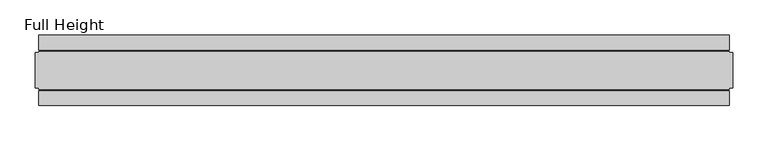
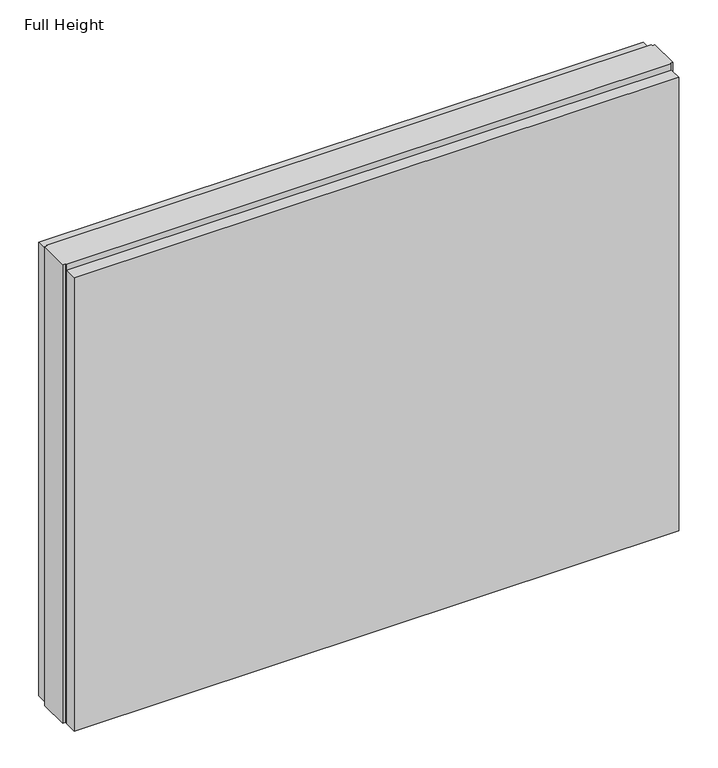
"""IFC4 building model written with IfcOpenShell, lengths in millimetres: plate geometry, Full Height."""

from ifc_helpers import new_model, si_unit, origin, origin_with_axes, place, context, project, spatial, polyline, outline, extrude, source, transform, mapped, element, save


def full_height_dfb97246(model_context):
    return source(origin(), model_context, "Body", "SweptSolid", [
        extrude(outline(polyline([(486.4946667, 28.956), (-486.4946667, 28.956), (-486.4946667, 49.53), (486.4946667, 49.53), (486.4946667, 28.956)])), origin_with_axes(), (0.0, 0.0, 1.0), 771.652),
        extrude(outline(polyline([(486.4946667, -28.956), (486.4946667, -49.53), (-486.4946667, -49.53), (-486.4946667, -28.956), (486.4946667, -28.956)])), origin_with_axes(), (0.0, 0.0, 1.0), 771.652),
        extrude(outline(polyline([(486.4946667, -25.146), (486.4946667, -26.67), (-486.4946667, -26.67), (-486.4946667, -25.146), (-491.0666667, -25.146), (-491.0666667, 25.146), (-486.4946667, 25.146), (-486.4946667, 26.67), (486.4946667, 26.67), (486.4946667, 25.146), (491.0666667, 25.146), (491.0666667, -25.146), (486.4946667, -25.146)])), origin_with_axes(), (0.0, 0.0, 1.0), 780.796),
    ])


if __name__ == "__main__":
    model = new_model("IFC4")
    model_context = context("Model", 3, world=origin())
    ifc_project = project(units=[si_unit("LENGTHUNIT", "METRE", prefix="MILLI")], contexts=[model_context])
    site = spatial("IfcSite", under=ifc_project)
    building = spatial("IfcBuilding", under=site)
    placement = place(None, origin())
    full_height_shape = full_height_dfb97246(model_context)
    element("IfcPlate", 1, ObjectType="Full Height", at=placement, inside=building, context=model_context, shape_type="MappedRepresentation", body=[
        mapped(full_height_shape, transform((0.0, 0.0, 0.0), x_axis=(1.0, 0.0, 0.0), y_axis=(0.0, 1.0, 0.0), z_axis=(0.0, 0.0, 1.0))),
    ])
    save(model, "model.ifc")
